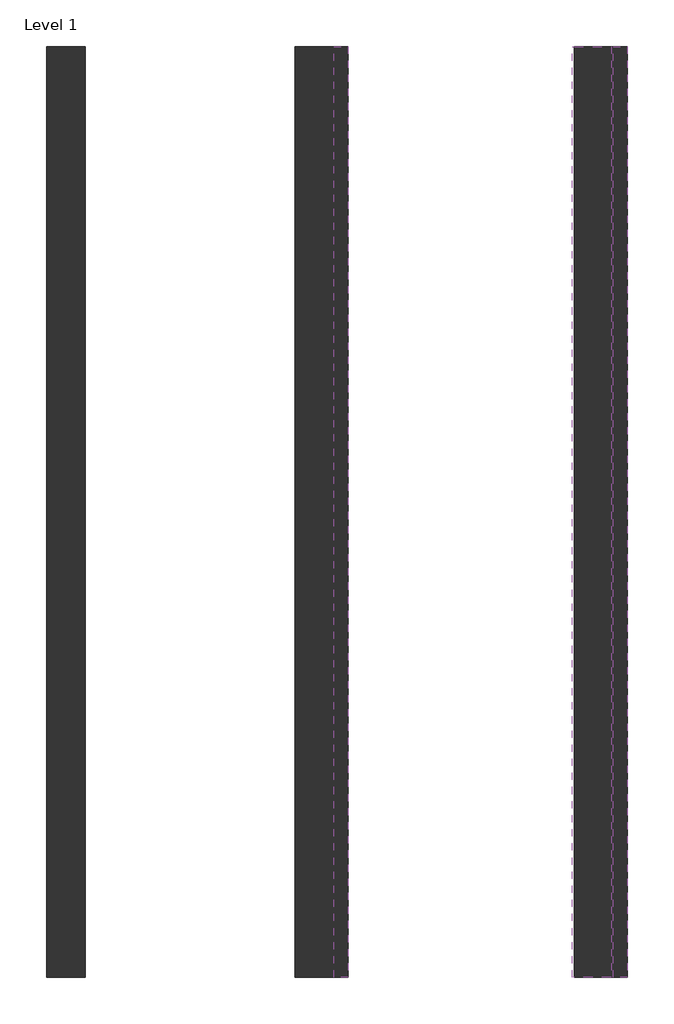
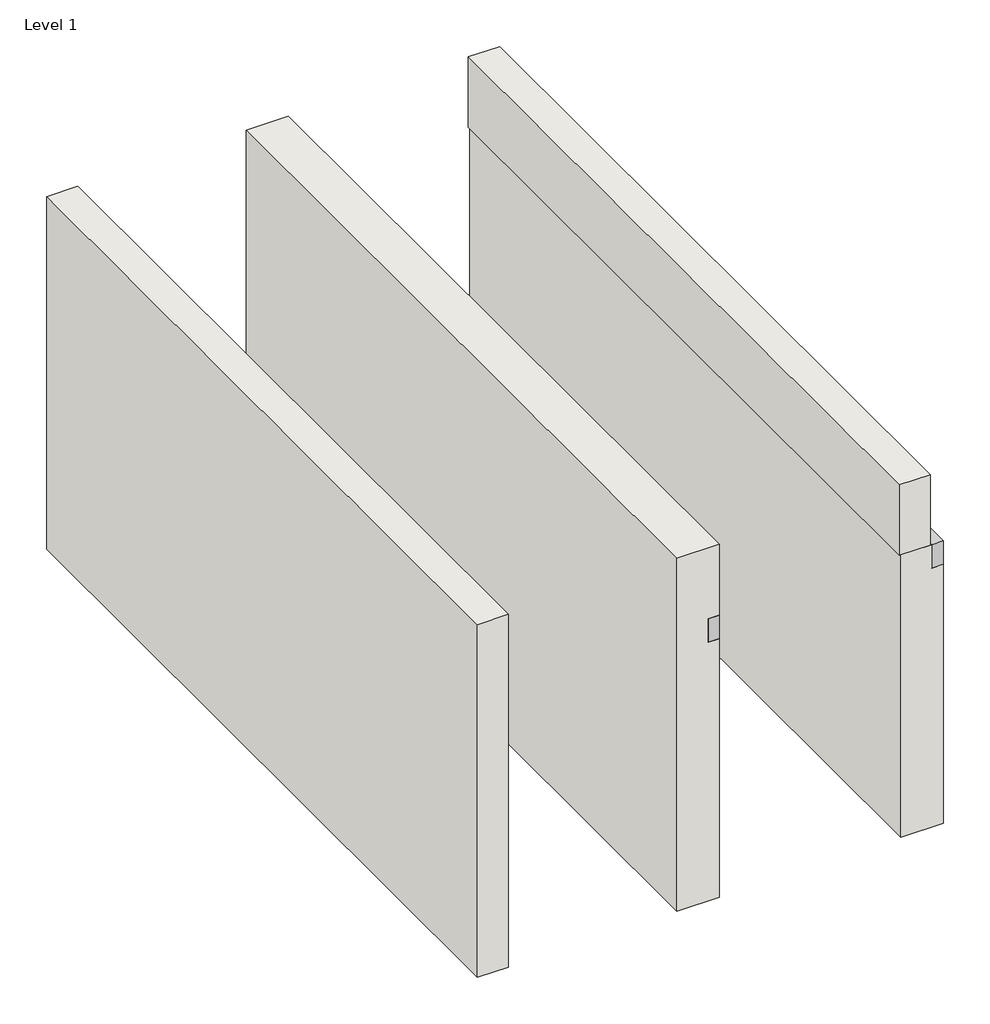
# One storey: 4 walls, 2 proxies.
"""IFC4 building model written with IfcOpenShell, lengths in millimetres."""

from ifc_helpers import new_model, si_unit, frame, origin, origin_with_axes, place, context, project, spatial, polyline, outline, extrude, faceted_brep, element, save

model = new_model("IFC4")

# Units and contexts
model_context = context("Model", 3, world=origin())
ifc_project = project(units=[si_unit("LENGTHUNIT", "METRE", prefix="MILLI")], contexts=[model_context])

# Site, building, storey
site = spatial("IfcSite", under=ifc_project)
building = spatial("IfcBuilding", under=site)
storey = spatial("IfcBuildingStorey", under=building, Name="Level 1", Elevation=0.0)

# Proxies
placement = place(None, origin())
element("IfcBuildingElementProxy", 1, Name="Wall Sweeps", at=placement, inside=storey, context=model_context, shape_type="SweptSolid", body=[
    extrude(outline(polyline([(57.5071088, -2021.002293), (-34.5678912, -2021.002293), (-34.5678912, 4074.997707), (57.5071088, 4074.997707), (57.5071088, -2021.002293)])), frame((0.0, 0.0, 2235.2), z_axis=(0.0, 0.0, 1.0), x_axis=(1.0, 0.0, 0.0)), (0.0, 0.0, 1.0), 203.2),
])
element("IfcBuildingElementProxy", 2, Name="Wall Sweeps", at=placement, inside=storey, context=model_context, shape_type="SweptSolid", body=[
    extrude(outline(polyline([(1794.2321088, 4074.997707), (1886.3071088, 4074.997707), (1886.3071088, -2021.002293), (1794.2321088, -2021.002293), (1794.2321088, 4074.997707)])), frame((0.0, 0.0, 2235.2), z_axis=(0.0, 0.0, 1.0), x_axis=(1.0, 0.0, 0.0)), (0.0, 0.0, 1.0), 203.2),
])

# Walls
element("IfcWall", 3, at=placement, inside=storey, context=model_context, shape_type="SweptSolid", body=[
    extrude(outline(polyline([(3048.0, -288.5678912), (0.0, -288.5678912), (0.0, 57.5071088), (2235.2, 57.5071088), (2235.2, -34.5678912), (2438.4, -34.5678912), (2438.4, 57.5071088), (3048.0, 57.5071088), (3048.0, -288.5678912)])), frame((0.0, -2021.002293, 0.0), z_axis=(0.0, 1.0, 0.0), x_axis=(0.0, 0.0, 1.0)), (0.0, 0.0, 1.0), 6096.0),
])
element("IfcWall", 4, at=placement, inside=storey, context=model_context, shape_type="SweptSolid", body=[
    extrude(outline(polyline([(-1664.9303912, 4074.997707), (-1664.9303912, -2021.002293), (-1918.9303912, -2021.002293), (-1918.9303912, 4074.997707), (-1664.9303912, 4074.997707)])), origin_with_axes(), (0.0, 0.0, 1.0), 3048.0),
])
element("IfcWall", 5, at=placement, inside=storey, context=model_context, shape_type="Brep", body=[
    faceted_brep([(1540.2321088, 4074.997707, 0.0), (1540.2321088, -2021.002293, 0.0), (1540.2321088, -2021.002293, 2438.4), (1540.2321088, 4074.997707, 2438.4), (1886.3071088, -2021.002293, 0.0), (1886.3071088, 4074.997707, 0.0), (1886.3071088, 4074.997707, 2235.2), (1886.3071088, -2021.002293, 2235.2), (1794.2321088, -2021.002293, 2235.2), (1794.2321088, -2021.002293, 2438.4), (1781.5321088, -2021.002293, 2438.4), (1794.2321088, 4074.997707, 2438.4), (1781.5321088, 4074.997707, 2438.4), (1794.2321088, 4074.997707, 2235.2)], [[[0, 1, 2, 3]], [[4, 5, 6, 7]], [[1, 0, 5, 4]], [[2, 1, 4, 7, 8, 9, 10]], [[3, 2, 10, 9, 11, 12]], [[0, 3, 12, 11, 13, 6, 5]], [[13, 8, 7, 6]], [[8, 13, 11, 9]]]),
])
element("IfcWall", 6, at=placement, inside=storey, context=model_context, shape_type="Brep", body=[
    faceted_brep([(1527.5321088, 4074.997707, 2438.4), (1527.5321088, -2021.002293, 2438.4), (1527.5321088, -2021.002293, 3048.0), (1527.5321088, 4074.997707, 3048.0), (1781.5321088, 4074.997707, 2438.4), (1781.5321088, 4074.997707, 3048.0), (1781.5321088, -2021.002293, 3048.0), (1781.5321088, -2021.002293, 2438.4), (1540.2321088, 4074.997707, 2438.4), (1540.2321088, -2021.002293, 2438.4)], [[[0, 1, 2, 3]], [[4, 5, 6, 7]], [[1, 0, 8, 4, 7, 9]], [[2, 1, 9, 7, 6]], [[3, 2, 6, 5]], [[0, 3, 5, 4, 8]]]),
])

save(model, "model.ifc")
